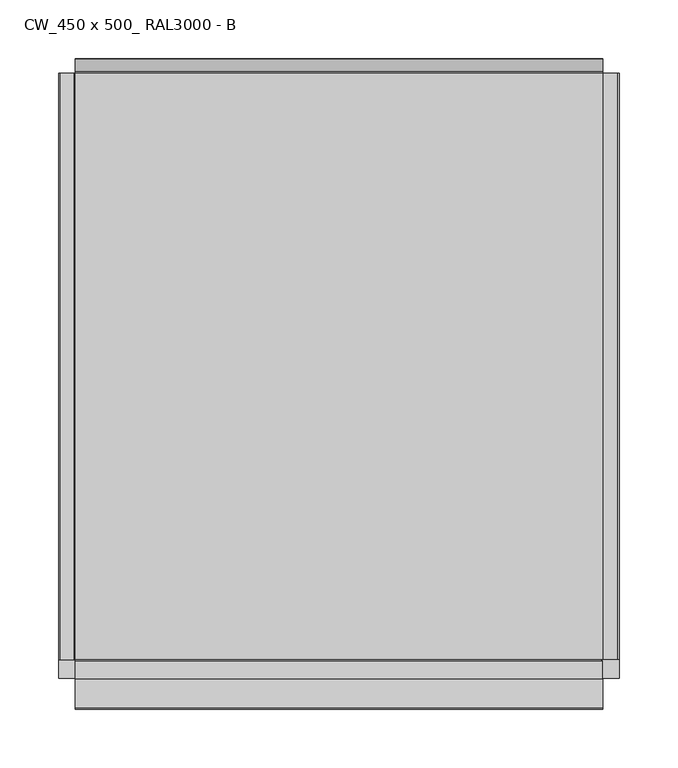
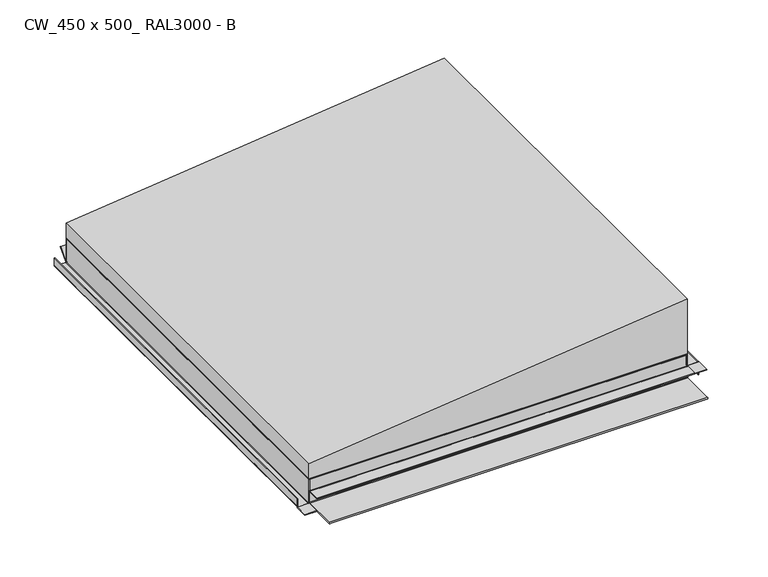
"""IFC4 building model written with IfcOpenShell, lengths in millimetres: proxy geometry, CW_450 x 500_ RAL3000 - B."""

from ifc_helpers import new_model, si_unit, frame, origin, origin_with_axes, place, context, project, spatial, polyline, circle_curve, ellipse_curve, outline, extrude, faceted_brep, source, transform, mapped, element, save
from ifc_brep_helpers import plane_surface, cylinder_surface, revolved_surface, advanced_brep


def cw_450_x_500_ral3000_b_e66fc8bf(model_context):
    return source(origin(), model_context, "Body", "SolidModel", [
        advanced_brep(
        [(-239.0, -250.0, 1.3), (-237.7, -250.0, 0.0), (-225.5, -250.0, 0.0), (-224.2, -250.0, 1.3), (-224.2, -250.0, 30.0), (-225.0, -250.0, 30.0), (-225.0, -250.0, 1.3), (-225.5, -250.0, 0.8), (-237.7, -250.0, 0.8), (-238.2, -250.0, 1.3), (-238.2, -250.0, 11.0), (-239.0, -250.0, 11.0), (-225.5, 250.0, 0.0), (-237.7, 250.0, 0.0), (-239.0, 250.0, 1.3), (-239.0, 250.0, 11.0), (-238.2, 250.0, 11.0), (-238.2, 250.0, 1.3), (-237.7, 250.0, 0.8), (-225.5, 250.0, 0.8), (-225.0, 250.0, 1.3), (-225.0, 250.0, 0.1), (-224.2, 249.2, 1.3), (-224.2, 249.2, 30.0), (-225.0, 249.2, 30.0), (-225.0, 249.2, 1.3)],
        [
            (0, 1, circle_curve(frame((-237.7, -250.0, 1.3), z_axis=(0.0, -1.0, 0.0), x_axis=(1.0, 0.0, 0.0)), 1.3)),
            (1, 2),
            (2, 3, circle_curve(frame((-225.5, -250.0, 1.3), z_axis=(0.0, -1.0, 0.0), x_axis=(1.0, 0.0, 0.0)), 1.3)),
            (3, 4),
            (4, 5),
            (5, 6),
            (6, 7, circle_curve(frame((-225.5, -250.0, 1.3), z_axis=(0.0, 1.0, 0.0), x_axis=(1.0, 0.0, 0.0)), 0.5)),
            (7, 8),
            (8, 9, circle_curve(frame((-237.7, -250.0, 1.3), z_axis=(0.0, 1.0, 0.0), x_axis=(1.0, 0.0, 0.0)), 0.5)),
            (9, 10),
            (10, 11),
            (11, 0),
            (12, 13),
            (13, 14, circle_curve(frame((-237.7, 250.0, 1.3), z_axis=(0.0, 1.0, 0.0), x_axis=(1.0, 0.0, 0.0)), 1.3)),
            (14, 15),
            (15, 16),
            (16, 17),
            (17, 18, circle_curve(frame((-237.7, 250.0, 1.3), z_axis=(0.0, -1.0, 0.0), x_axis=(1.0, 0.0, 0.0)), 0.5)),
            (18, 19),
            (19, 20, circle_curve(frame((-225.5, 250.0, 1.3), z_axis=(0.0, -1.0, 0.0), x_axis=(1.0, 0.0, 0.0)), 0.5)),
            (20, 21),
            (21, 12, circle_curve(frame((-225.5, 250.0, 1.3), z_axis=(0.0, 1.0, 0.0), x_axis=(1.0, 0.0, 0.0)), 1.3)),
            (1, 13),
            (12, 2),
            (21, 22, ellipse_curve(frame((-225.5, 250.5, 1.3), z_axis=(-0.7071067811865505, -0.7071067811865446, 0.0), x_axis=(0.7071067811865446, -0.7071067811865505, 0.0)), 1.8384776, 1.3)),
            (22, 3),
            (22, 23),
            (23, 4),
            (5, 24),
            (24, 25),
            (25, 6),
            (25, 20),
            (19, 7),
            (18, 8),
            (17, 9),
            (16, 10),
            (15, 11),
            (14, 0),
            (23, 24),
            (25, 21, circle_curve(frame((-225.0, 250.5, 1.3), z_axis=(1.0, 0.0, 0.0), x_axis=(0.0, 1.0, 0.0)), 1.3)),
            (25, 22),
        ],
        [
            plane_surface(frame((-236.4, -250.0, 1.3), z_axis=(0.0, -1.0, 0.0), x_axis=(0.0, 0.0, -1.0))),
            plane_surface(frame((-236.4, 250.0, 1.3), z_axis=(0.0, 1.0, 0.0), x_axis=(0.0, 0.0, 1.0))),
            plane_surface(frame((-225.5, -250.0, 0.0), z_axis=(0.0, 0.0, -1.0), x_axis=(0.0, 1.0, 0.0))),
            cylinder_surface(frame((-225.5, 250.0, 1.3), z_axis=(0.0, -1.0, 0.0), x_axis=(1.0, 0.0, 0.0)), 1.3),
            plane_surface(frame((-224.2, -250.0, 30.0), z_axis=(1.0, 0.0, 0.0), x_axis=(0.0, 1.0, 0.0))),
            plane_surface(frame((-225.0, -250.0, 1.3), z_axis=(-1.0, 0.0, 0.0), x_axis=(0.0, 1.0, 0.0))),
            revolved_surface(polyline([(-225.0, 250.0, 1.3), (-225.0, -250.0, 1.3)]), (-225.5, 250.0, 1.3), (0.0, 1.0, 0.0)),
            plane_surface(frame((-237.7, -250.0, 0.8), z_axis=(0.0, 0.0, 1.0), x_axis=(0.0, 1.0, 0.0))),
            revolved_surface(polyline([(-237.2, 250.0, 1.3), (-237.2, -250.0, 1.3)]), (-237.7, 250.0, 1.3), (0.0, 1.0, 0.0)),
            plane_surface(frame((-238.2, -250.0, 11.0), z_axis=(1.0, 0.0, 0.0), x_axis=(0.0, 1.0, 0.0))),
            plane_surface(frame((-239.0, -250.0, 11.0), z_axis=(0.0, 0.0, 1.0), x_axis=(0.0, 1.0, 0.0))),
            plane_surface(frame((-239.0, -250.0, 1.3), z_axis=(-1.0, 0.0, 0.0), x_axis=(0.0, 1.0, 0.0))),
            cylinder_surface(frame((-237.7, 250.0, 1.3), z_axis=(0.0, -1.0, 0.0), x_axis=(1.0, 0.0, 0.0)), 1.3),
            plane_surface(frame((-225.0, -250.0, 30.0), z_axis=(0.0, 0.0, 1.0), x_axis=(0.0, 1.0, 0.0))),
            plane_surface(frame((-225.0, 251.0, 1.3), z_axis=(1.0, 0.0, 0.0), x_axis=(0.0, 0.0, 1.0))),
            revolved_surface(polyline([(-226.79999997801957, 251.8, 1.3), (-224.2, 251.8, 1.3)]), (225.0, 250.5, 1.3), (-1.0, 0.0, 0.0)),
            plane_surface(frame((-225.0, 249.2, 1.3), z_axis=(0.0, 1.0, 0.0), x_axis=(1.0, 0.0, 0.0))),
        ],
        [
            (0, [[1, 2, 3, 4, 5, 6, 7, 8, 9, 10, 11, 12]]),
            (1, [[13, 14, 15, 16, 17, 18, 19, 20, 21, 22]]),
            (2, [[-2, 23, -13, 24]]),
            (3, [[-3, -24, -22, 25, 26]]),
            (4, [[-4, -26, 27, 28]]),
            (5, [[-6, 29, 30, 31]]),
            (6, [[-7, -31, 32, -20, 33]]),
            (7, [[-8, -33, -19, 34]]),
            (8, [[-9, -34, -18, 35]]),
            (9, [[-10, -35, -17, 36]]),
            (10, [[-11, -36, -16, 37]]),
            (11, [[-12, -37, -15, 38]]),
            (12, [[-1, -38, -14, -23]]),
            (13, [[-5, -28, 39, -29]]),
            (14, [[40, -21, -32]]),
            (15, [[-40, 41, -25]]),
            (16, [[-41, -30, -39, -27]]),
        ],
    ),
        extrude(outline(polyline([(-239.0, -266.0), (-239.0, -250.0), (-224.2, -250.0), (-224.2, -266.0), (-239.0, -266.0)])), origin_with_axes(), (0.0, 0.0, 1.0), 0.8),
        advanced_brep(
        [(225.5, -250.0, 15.56875), (237.7, -250.0, 15.56875), (238.2, -250.0, 15.06875), (238.2, -250.0, 0.0), (239.0, -250.0, 0.0), (239.0, -250.0, 15.06875), (237.7, -250.0, 16.36875), (225.5, -250.0, 16.36875), (225.0, -250.0, 16.86875), (225.0, -250.0, 15.66875), (225.0, 250.0, 16.86875), (225.5, 250.0, 16.36875), (237.7, 250.0, 16.36875), (239.0, 250.0, 15.06875), (239.0, 250.0, 0.0), (238.2, 250.0, 0.0), (238.2, 250.0, 15.06875), (237.7, 250.0, 15.56875), (225.5, 250.0, 15.56875), (225.0, 250.0, 15.66875), (224.2, 249.2, 30.0), (224.2, 249.2, 16.86875), (224.2, -249.2, 16.86875), (224.2, -249.2, 30.0), (225.0, -249.2, 15.66875), (225.0, 249.2, 15.66875), (225.0, 249.2, 16.86875), (225.0, -249.2, 16.86875), (225.0, 249.2, 30.0), (225.0, -249.2, 30.0)],
        [
            (0, 1),
            (1, 2, circle_curve(frame((237.7, -250.0, 15.06875), z_axis=(0.0, 1.0, 0.0), x_axis=(-1.0, 0.0, 0.0)), 0.5)),
            (2, 3),
            (3, 4),
            (4, 5),
            (5, 6, circle_curve(frame((237.7, -250.0, 15.06875), z_axis=(0.0, -1.0, 0.0), x_axis=(-1.0, 0.0, 0.0)), 1.3)),
            (6, 7),
            (7, 8, circle_curve(frame((225.5, -250.0, 16.86875), z_axis=(0.0, 1.0, 0.0), x_axis=(-1.0, 0.0, 0.0)), 0.5)),
            (8, 9),
            (9, 0, circle_curve(frame((225.5, -250.0, 16.86875), z_axis=(0.0, -1.0, 0.0), x_axis=(-1.0, 0.0, 0.0)), 1.3)),
            (10, 11, circle_curve(frame((225.5, 250.0, 16.86875), z_axis=(0.0, -1.0, 0.0), x_axis=(-1.0, 0.0, 0.0)), 0.5)),
            (11, 12),
            (12, 13, circle_curve(frame((237.7, 250.0, 15.06875), z_axis=(0.0, 1.0, 0.0), x_axis=(-1.0, 0.0, 0.0)), 1.3)),
            (13, 14),
            (14, 15),
            (15, 16),
            (16, 17, circle_curve(frame((237.7, 250.0, 15.06875), z_axis=(0.0, -1.0, 0.0), x_axis=(-1.0, 0.0, 0.0)), 0.5)),
            (17, 18),
            (18, 19, circle_curve(frame((225.5, 250.0, 16.86875), z_axis=(0.0, 1.0, 0.0), x_axis=(-1.0, 0.0, 0.0)), 1.3)),
            (19, 10),
            (20, 21),
            (21, 22),
            (22, 23),
            (23, 20),
            (18, 0),
            (9, 24),
            (24, 22, circle_curve(frame((225.5, -249.2, 16.86875), z_axis=(0.0, 1.0, 0.0), x_axis=(-1.0, 0.0, 0.0)), 1.3)),
            (21, 25, circle_curve(frame((225.5, 249.2, 16.86875), z_axis=(0.0, -1.0, 0.0), x_axis=(-1.0, 0.0, 0.0)), 1.3)),
            (25, 19),
            (17, 1),
            (16, 2),
            (15, 3),
            (14, 4),
            (13, 5),
            (12, 6),
            (11, 7),
            (10, 26),
            (26, 27),
            (27, 8),
            (26, 28),
            (28, 29),
            (29, 27),
            (28, 20),
            (23, 29),
            (25, 26),
            (27, 24),
        ],
        [
            plane_surface(frame((224.2, -250.0, 16.86875), z_axis=(0.0, -1.0, 0.0), x_axis=(0.0, 0.0, 1.0))),
            plane_surface(frame((224.2, 250.0, 16.86875), z_axis=(0.0, 1.0, 0.0), x_axis=(0.0, 0.0, -1.0))),
            plane_surface(frame((224.2, -250.0, 16.86875), z_axis=(-1.0, 0.0, 0.0), x_axis=(0.0, 1.0, 0.0))),
            cylinder_surface(frame((225.5, 250.0, 16.86875), z_axis=(0.0, -1.0, 0.0), x_axis=(-1.0, 0.0, 0.0)), 1.3),
            plane_surface(frame((237.7, -250.0, 15.56875), z_axis=(0.0, 0.0, -1.0), x_axis=(0.0, 1.0, 0.0))),
            revolved_surface(polyline([(237.2, 250.0, 15.06875), (237.2, -250.0, 15.06875)]), (237.7, 250.0, 15.06875), (0.0, 1.0, 0.0)),
            plane_surface(frame((238.2, -250.0, 0.0), z_axis=(-1.0, 0.0, 0.0), x_axis=(0.0, 1.0, 0.0))),
            plane_surface(frame((239.0, -250.0, 0.0), z_axis=(0.0, 0.0, -1.0), x_axis=(0.0, 1.0, 0.0))),
            plane_surface(frame((239.0, -250.0, 15.06875), z_axis=(1.0, 0.0, 0.0), x_axis=(0.0, 1.0, 0.0))),
            cylinder_surface(frame((237.7, 250.0, 15.06875), z_axis=(0.0, -1.0, 0.0), x_axis=(-1.0, 0.0, 0.0)), 1.3),
            plane_surface(frame((225.5, -250.0, 16.36875), z_axis=(0.0, 0.0, 1.0), x_axis=(0.0, 1.0, 0.0))),
            revolved_surface(polyline([(225.0, 250.0, 16.86875), (225.0, -250.0, 16.86875)]), (225.5, 250.0, 16.86875), (0.0, 1.0, 0.0)),
            plane_surface(frame((225.0, -250.0, 30.0), z_axis=(1.0, 0.0, 0.0), x_axis=(0.0, 1.0, 0.0))),
            plane_surface(frame((224.2, -250.0, 30.0), z_axis=(0.0, 0.0, 1.0), x_axis=(0.0, 1.0, 0.0))),
            plane_surface(frame((225.0, 251.0, 1.3), z_axis=(-1.0, 0.0, 0.0), x_axis=(0.0, 0.0, -1.0))),
            plane_surface(frame((-225.0, 249.2, 1.3), z_axis=(0.0, 1.0, 0.0), x_axis=(1.0, 0.0, 0.0))),
            plane_surface(frame((225.0, -250.5, 0.0), z_axis=(-1.0, 0.0, 0.0), x_axis=(0.0, 1.0, 0.0))),
            plane_surface(frame((-225.0, -249.2, 30.0), z_axis=(0.0, -1.0, 0.0), x_axis=(1.0, 0.0, 0.0))),
        ],
        [
            (0, [[1, 2, 3, 4, 5, 6, 7, 8, 9, 10]]),
            (1, [[11, 12, 13, 14, 15, 16, 17, 18, 19, 20]]),
            (2, [[21, 22, 23, 24]]),
            (3, [[25, -10, 26, 27, -22, 28, 29, -19]]),
            (4, [[-1, -25, -18, 30]]),
            (5, [[-2, -30, -17, 31]]),
            (6, [[-3, -31, -16, 32]]),
            (7, [[-4, -32, -15, 33]]),
            (8, [[-5, -33, -14, 34]]),
            (9, [[-6, -34, -13, 35]]),
            (10, [[-7, -35, -12, 36]]),
            (11, [[-8, -36, -11, 37, 38, 39]]),
            (12, [[40, 41, 42, -38]]),
            (13, [[43, -24, 44, -41]]),
            (14, [[45, -37, -20, -29]]),
            (15, [[-45, -28, -21, -43, -40]]),
            (16, [[46, -26, -9, -39]]),
            (17, [[-46, -42, -44, -23, -27]]),
        ],
    ),
        advanced_brep(
        [(225.0, -251.0793372, 15.56875), (225.0, -251.55, 15.9), (225.0, -266.0, 15.9), (225.0, -266.0, 16.36875), (225.0, -250.6830955, 16.36875), (225.0, -250.2609991, 15.56875), (239.0, -266.0, 15.56875), (239.0, -266.0, 16.36875), (224.2, -266.0, 15.9), (224.2, -266.0, 15.56875), (224.2, -250.0, 15.56875), (224.2, -250.0, 16.36875), (225.0, -250.0, 16.36875), (239.0, -250.0, 16.36875), (239.0, -250.0, 15.56875), (225.0, -250.0, 15.56875), (224.2, -250.6830955, 16.36875), (224.2, -251.0793372, 15.56875), (224.2, -250.2609991, 15.56875), (224.2, -251.55, 15.9)],
        [
            (0, 1, circle_curve(frame((225.0, -251.55, 15.4), z_axis=(1.0, 0.0, 0.0), x_axis=(0.0, 1.0, 0.0)), 0.5)),
            (1, 2),
            (2, 3),
            (3, 4),
            (4, 5, circle_curve(frame((225.0, -251.55, 15.4), z_axis=(-1.0, 0.0, 0.0), x_axis=(0.0, 1.0, 0.0)), 1.3)),
            (5, 0),
            (6, 7),
            (7, 3),
            (2, 8),
            (8, 9),
            (9, 6),
            (10, 11),
            (11, 12),
            (12, 13),
            (13, 14),
            (14, 15),
            (15, 10),
            (7, 13),
            (11, 16),
            (16, 4),
            (9, 17),
            (17, 0),
            (5, 18),
            (18, 10),
            (14, 6),
            (8, 19),
            (19, 17, circle_curve(frame((224.2, -251.55, 15.4), z_axis=(-1.0, 0.0, 0.0), x_axis=(0.0, 1.0, 0.0)), 0.5)),
            (19, 1),
            (16, 18, circle_curve(frame((224.2, -251.55, 15.4), z_axis=(-1.0, 0.0, 0.0), x_axis=(0.0, 1.0, 0.0)), 1.3)),
        ],
        [
            plane_surface(frame((225.0, -250.5, 0.0), z_axis=(-1.0, 0.0, 0.0), x_axis=(0.0, 1.0, 0.0))),
            plane_surface(frame((224.2, -266.0, 15.56875), z_axis=(0.0, -1.0, 0.0), x_axis=(-1.0, 0.0, 0.0))),
            plane_surface(frame((224.2, -250.0, 15.56875), z_axis=(0.0, 1.0, 0.0), x_axis=(1.0, 0.0, 0.0))),
            plane_surface(frame((224.2, -266.0, 16.36875), z_axis=(0.0, 0.0, 1.0), x_axis=(0.0, 1.0, 0.0))),
            plane_surface(frame((239.0, -266.0, 15.56875), z_axis=(0.0, 0.0, -1.0), x_axis=(0.0, 1.0, 0.0))),
            plane_surface(frame((224.2, -266.0, 15.56875), z_axis=(-1.0, 0.0, -1.0019693408305913e-12), x_axis=(0.0, 1.0, 0.0))),
            plane_surface(frame((239.0, -266.0, 16.36875), z_axis=(1.0, 0.0, 0.0), x_axis=(0.0, 1.0, 0.0))),
            cylinder_surface(frame((225.0, -251.55, 15.4), z_axis=(1.0, 0.0, 0.0), x_axis=(0.0, 1.0, 0.0)), 0.5),
            plane_surface(frame((-225.0, -251.55, 15.9), z_axis=(0.0, 0.0, 1.0), x_axis=(1.0, 0.0, 0.0))),
            revolved_surface(polyline([(224.2, -250.25, 15.4), (225.0, -250.25, 15.4)]), (225.0, -251.55, 15.4), (-1.0, 0.0, 0.0)),
        ],
        [
            (0, [[1, 2, 3, 4, 5, 6]]),
            (1, [[7, 8, -3, 9, 10, 11]]),
            (2, [[12, 13, 14, 15, 16, 17]]),
            (3, [[18, -14, -13, 19, 20, -4, -8]]),
            (4, [[-11, 21, 22, -6, 23, 24, -17, -16, 25]]),
            (5, [[-10, 26, 27, -21]]),
            (6, [[-7, -25, -15, -18]]),
            (7, [[-1, -22, -27, 28]]),
            (8, [[-2, -28, -26, -9]]),
            (9, [[-5, -20, 29, -23]]),
            (5, [[-12, -24, -29, -19]]),
        ],
    ),
        advanced_brep(
        [(-225.0, -250.5, 0.0), (-225.0, -291.65, 0.0), (-225.0, -291.65, 1.7), (-225.0, -251.55, 1.7), (-225.0, -251.05, 2.2), (-225.0, -251.05, 15.4), (-225.0, -251.55, 15.9), (-225.0, -266.25, 15.9), (-225.0, -266.25, 16.7), (-225.0, -251.55, 16.7), (-225.0, -250.25, 15.4), (-225.0, -250.25, 2.2), (-225.0, -251.55, 0.9), (-225.0, -291.65, 0.9), (-225.0, -250.5, 0.8), (-225.0, -250.0, 1.3), (-225.0, -250.0, 30.0), (-225.0, -249.2, 30.0), (-225.0, -249.2, 1.3), (225.0, -250.5, 0.0), (225.0, -249.2, 1.3), (225.0, -249.2, 15.66875), (225.0, -249.2, 16.86875), (225.0, -249.2, 30.0), (225.0, -250.0, 30.0), (225.0, -250.0, 16.86875), (225.0, -250.0, 15.66875), (225.0, -250.0, 1.3), (225.0, -250.5, 0.8), (225.0, -291.65, 0.9), (225.0, -251.55, 0.9), (225.0, -250.25, 2.2), (225.0, -250.25, 15.4), (225.0, -250.2613292, 15.5701671), (225.0, -250.682858, 16.3684525), (225.0, -251.55, 16.7), (225.0, -266.25, 16.7), (225.0, -266.25, 15.9), (225.0, -266.0, 15.9), (225.0, -251.55, 15.9), (225.0, -251.0793351, 15.5686233), (225.0, -251.05, 15.4), (225.0, -251.05, 2.2), (225.0, -251.55, 1.7), (225.0, -291.65, 1.7), (225.0, -291.65, 0.0), (224.2, -249.2, 30.0)],
        [
            (0, 1),
            (1, 2, circle_curve(frame((-225.0, -291.65, 0.85), z_axis=(-1.0, 0.0, 0.0), x_axis=(0.0, 1.0, 0.0)), 0.85)),
            (2, 3),
            (3, 4, circle_curve(frame((-225.0, -251.55, 2.2), z_axis=(1.0, 0.0, 0.0), x_axis=(0.0, 1.0, 0.0)), 0.5)),
            (4, 5),
            (5, 6, circle_curve(frame((-225.0, -251.55, 15.4), z_axis=(1.0, 0.0, 0.0), x_axis=(0.0, 1.0, 0.0)), 0.5)),
            (6, 7),
            (7, 8),
            (8, 9),
            (9, 10, circle_curve(frame((-225.0, -251.55, 15.4), z_axis=(-1.0, 0.0, 0.0), x_axis=(0.0, 1.0, 0.0)), 1.3)),
            (10, 11),
            (11, 12, circle_curve(frame((-225.0, -251.55, 2.2), z_axis=(-1.0, 0.0, 0.0), x_axis=(0.0, 1.0, 0.0)), 1.3)),
            (12, 13),
            (13, 14),
            (14, 15, circle_curve(frame((-225.0, -250.5, 1.3), z_axis=(1.0, 0.0, 0.0), x_axis=(0.0, 1.0, 0.0)), 0.5)),
            (15, 16),
            (16, 17),
            (17, 18),
            (18, 0, circle_curve(frame((-225.0, -250.5, 1.3), z_axis=(-1.0, 0.0, 0.0), x_axis=(0.0, 1.0, 0.0)), 1.3)),
            (19, 20, circle_curve(frame((225.0, -250.5, 1.3), z_axis=(1.0, 0.0, 0.0), x_axis=(0.0, 1.0, 0.0)), 1.3)),
            (20, 21),
            (21, 22),
            (22, 23),
            (23, 24),
            (24, 25),
            (25, 26),
            (26, 27),
            (27, 28, circle_curve(frame((225.0, -250.5, 1.3), z_axis=(-1.0, 0.0, 0.0), x_axis=(0.0, 1.0, 0.0)), 0.5)),
            (28, 29),
            (29, 30),
            (30, 31, circle_curve(frame((225.0, -251.55, 2.2), z_axis=(1.0, 0.0, 0.0), x_axis=(0.0, 1.0, 0.0)), 1.3)),
            (31, 32),
            (32, 33, circle_curve(frame((225.0, -251.55, 15.4), z_axis=(1.0, 0.0, 0.0), x_axis=(0.0, 1.0, 0.0)), 1.3)),
            (33, 34, circle_curve(frame((225.0, -251.55, 15.4), z_axis=(1.0, 0.0, 0.0), x_axis=(0.0, 1.0, 0.0)), 1.2998574)),
            (34, 35, circle_curve(frame((225.0, -251.55, 15.4), z_axis=(1.0, 0.0, 0.0), x_axis=(0.0, 1.0, 0.0)), 1.2999367)),
            (35, 36),
            (36, 37),
            (37, 38),
            (38, 39),
            (39, 40, circle_curve(frame((225.0, -251.55, 15.4), z_axis=(-1.0, 0.0, 0.0), x_axis=(0.0, 1.0, 0.0)), 0.5)),
            (40, 41, circle_curve(frame((225.0, -251.55, 15.4), z_axis=(-1.0, 0.0, 0.0), x_axis=(0.0, 1.0, 0.0)), 0.4999593)),
            (41, 42),
            (42, 43, circle_curve(frame((225.0, -251.55, 2.2), z_axis=(-1.0, 0.0, 0.0), x_axis=(0.0, 1.0, 0.0)), 0.5)),
            (43, 44),
            (44, 45, circle_curve(frame((225.0, -291.65, 0.85), z_axis=(1.0, 0.0, 0.0), x_axis=(0.0, 1.0, 0.0)), 0.85)),
            (45, 19),
            (17, 46),
            (46, 23),
            (20, 18),
            (19, 0),
            (45, 1),
            (44, 2),
            (43, 3),
            (42, 4),
            (41, 5),
            (39, 6),
            (37, 7),
            (36, 8),
            (35, 9),
            (32, 10),
            (31, 11),
            (30, 12),
            (29, 13),
            (28, 14),
            (27, 15),
            (24, 16),
        ],
        [
            plane_surface(frame((-225.0, -250.5, 0.0), z_axis=(-1.0, 0.0, 0.0), x_axis=(0.0, -1.0, 0.0))),
            plane_surface(frame((225.0, -250.5, 0.0), z_axis=(1.0, 0.0, 0.0), x_axis=(0.0, 1.0, 0.0))),
            plane_surface(frame((-225.0, -249.2, 30.0), z_axis=(0.0, 1.0, 0.0), x_axis=(1.0, 0.0, 0.0))),
            cylinder_surface(frame((225.0, -250.5, 1.3), z_axis=(-1.0, 0.0, 0.0), x_axis=(0.0, 1.0, 0.0)), 1.3),
            plane_surface(frame((-225.0, -250.5, 0.0), z_axis=(0.0, 0.0, -1.0), x_axis=(1.0, 0.0, 0.0))),
            cylinder_surface(frame((225.0, -291.65, 0.85), z_axis=(-1.0, 0.0, 0.0), x_axis=(0.0, 1.0, 0.0)), 0.85),
            plane_surface(frame((-225.0, -291.65, 1.7), z_axis=(0.0, 0.0, 1.0), x_axis=(1.0, 0.0, 0.0))),
            revolved_surface(polyline([(225.0, -251.05, 2.2), (-225.0, -251.05, 2.2)]), (225.0, -251.55, 2.2), (1.0, 0.0, 0.0)),
            plane_surface(frame((-225.0, -251.05, 2.2), z_axis=(0.0, -1.0, 0.0), x_axis=(1.0, 0.0, 0.0))),
            revolved_surface(polyline([(225.0, -251.05, 15.4), (-225.0, -251.05, 15.4)]), (225.0, -251.55, 15.4), (1.0, 0.0, 0.0)),
            plane_surface(frame((-225.0, -251.55, 15.9), z_axis=(0.0, 0.0, -1.0), x_axis=(1.0, 0.0, 0.0))),
            plane_surface(frame((-225.0, -266.25, 15.9), z_axis=(0.0, -1.0, 0.0), x_axis=(1.0, 0.0, 0.0))),
            plane_surface(frame((-225.0, -266.25, 16.7), z_axis=(0.0, 0.0, 1.0), x_axis=(1.0, 0.0, 0.0))),
            cylinder_surface(frame((225.0, -251.55, 15.4), z_axis=(-1.0, 0.0, 0.0), x_axis=(0.0, 1.0, 0.0)), 1.3),
            plane_surface(frame((-225.0, -250.25, 15.4), z_axis=(0.0, 1.0, 0.0), x_axis=(1.0, 0.0, 0.0))),
            cylinder_surface(frame((225.0, -251.55, 2.2), z_axis=(-1.0, 0.0, 0.0), x_axis=(0.0, 1.0, 0.0)), 1.3),
            plane_surface(frame((-225.0, -251.55, 0.9), z_axis=(0.0, 0.0, -1.0), x_axis=(1.0, 0.0, 0.0))),
            plane_surface(frame((-225.0, -291.65, 0.9), z_axis=(0.0, 0.0024301264818050315, 0.9999970472382819), x_axis=(1.0, 0.0, 0.0))),
            revolved_surface(polyline([(225.0, -250.0, 1.3), (-225.0, -250.0, 1.3)]), (225.0, -250.5, 1.3), (1.0, 0.0, 0.0)),
            plane_surface(frame((-225.0, -250.0, 1.3), z_axis=(0.0, -1.0, 0.0), x_axis=(1.0, 0.0, 0.0))),
            plane_surface(frame((-225.0, -250.0, 30.0), z_axis=(0.0, 0.0, 1.0), x_axis=(1.0, 0.0, 0.0))),
        ],
        [
            (0, [[1, 2, 3, 4, 5, 6, 7, 8, 9, 10, 11, 12, 13, 14, 15, 16, 17, 18, 19]]),
            (1, [[20, 21, 22, 23, 24, 25, 26, 27, 28, 29, 30, 31, 32, 33, 34, 35, 36, 37, 38, 39, 40, 41, 42, 43, 44, 45, 46]]),
            (2, [[-18, 47, 48, -23, -22, -21, 49]]),
            (3, [[-19, -49, -20, 50]]),
            (4, [[-1, -50, -46, 51]]),
            (5, [[-2, -51, -45, 52]]),
            (6, [[-3, -52, -44, 53]]),
            (7, [[-4, -53, -43, 54]]),
            (8, [[-5, -54, -42, 55]]),
            (9, [[-6, -55, -41, -40, 56]]),
            (10, [[-7, -56, -39, -38, 57]]),
            (11, [[-8, -57, -37, 58]]),
            (12, [[-9, -58, -36, 59]]),
            (13, [[-10, -59, -35, -34, -33, 60]]),
            (14, [[-11, -60, -32, 61]]),
            (15, [[-12, -61, -31, 62]]),
            (16, [[-13, -62, -30, 63]]),
            (17, [[-14, -63, -29, 64]]),
            (18, [[-15, -64, -28, 65]]),
            (19, [[-16, -65, -27, -26, -25, 66]]),
            (20, [[-17, -66, -24, -48, -47]]),
        ],
    ),
        advanced_brep(
        [(-225.0, 250.0, 1.3), (-225.0, 250.8830222, 0.9786062), (-225.0, 261.6344557, 13.7916657), (-225.0, 262.2472913, 13.2774356), (-225.0, 251.4958578, 0.4643761), (-225.0, 250.0002938, 0.0999209), (-225.0, 249.2, 1.3), (-225.0, 249.2, 30.0), (-225.0, 250.0, 30.0), (225.0, 250.0, 1.3), (225.0, 250.0, 15.66875), (225.0, 250.0, 16.86875), (225.0, 250.0, 30.0), (225.0, 249.2, 30.0), (225.0, 249.2, 16.86875), (225.0, 249.2, 15.66875), (225.0, 249.2, 1.3), (225.0, 251.4958578, 0.4643761), (225.0, 262.2472913, 13.2774356), (225.0, 261.6344557, 13.7916657), (225.0, 250.8830222, 0.9786062), (224.2, 249.2, 30.0), (-224.2, 249.2, 30.0)],
        [
            (0, 1, circle_curve(frame((-225.0, 250.5, 1.3), z_axis=(1.0, 0.0, 0.0), x_axis=(0.0, 1.0, 0.0)), 0.5)),
            (1, 2),
            (2, 3),
            (3, 4),
            (4, 5, circle_curve(frame((-225.0, 250.5, 1.3), z_axis=(-1.0, 0.0, 0.0), x_axis=(0.0, 1.0, 0.0)), 1.3)),
            (5, 6, circle_curve(frame((-225.0, 250.5, 1.3), z_axis=(-1.0, 0.0, 0.0), x_axis=(0.0, 1.0, 0.0)), 1.2999601)),
            (6, 7),
            (7, 8),
            (8, 0),
            (9, 10),
            (10, 11),
            (11, 12),
            (12, 13),
            (13, 14),
            (14, 15),
            (15, 16),
            (16, 17, circle_curve(frame((225.0, 250.5, 1.3), z_axis=(1.0, 0.0, 0.0), x_axis=(0.0, 1.0, 0.0)), 1.3)),
            (17, 18),
            (18, 19),
            (19, 20),
            (20, 9, circle_curve(frame((225.0, 250.5, 1.3), z_axis=(-1.0, 0.0, 0.0), x_axis=(0.0, 1.0, 0.0)), 0.5)),
            (8, 12),
            (9, 0),
            (20, 1),
            (19, 2),
            (18, 3),
            (17, 4),
            (16, 6),
            (13, 21),
            (21, 22),
            (22, 7),
        ],
        [
            plane_surface(frame((-225.0, 251.0, 1.3), z_axis=(-1.0, 0.0, 0.0), x_axis=(0.0, 0.0, 1.0))),
            plane_surface(frame((225.0, 251.0, 1.3), z_axis=(1.0, 0.0, 0.0), x_axis=(0.0, 0.0, -1.0))),
            plane_surface(frame((-225.0, 250.0, 30.0), z_axis=(0.0, 1.0, 0.0), x_axis=(1.0, 0.0, 0.0))),
            revolved_surface(polyline([(225.0, 251.0, 1.3), (-225.0, 251.0, 1.3)]), (225.0, 250.5, 1.3), (1.0, 0.0, 0.0)),
            plane_surface(frame((-225.0, 250.8830222, 0.9786062), z_axis=(0.0, -0.7660444431199621, 0.6427876096853666), x_axis=(1.0, 0.0, 0.0))),
            plane_surface(frame((-225.0, 261.6344557, 13.7916657), z_axis=(0.0, 0.6427876096850358, 0.7660444431202397), x_axis=(1.0, 0.0, 0.0))),
            plane_surface(frame((-225.0, 262.2472913, 13.2774356), z_axis=(0.0, 0.7660444431199782, -0.6427876096853474), x_axis=(1.0, 0.0, 0.0))),
            cylinder_surface(frame((225.0, 250.5, 1.3), z_axis=(-1.0, 0.0, 0.0), x_axis=(0.0, 1.0, 0.0)), 1.3),
            plane_surface(frame((-225.0, 249.2, 1.3), z_axis=(0.0, -1.0, 0.0), x_axis=(1.0, 0.0, 0.0))),
            plane_surface(frame((-225.0, 249.2, 30.0), z_axis=(0.0, 0.0, 1.0), x_axis=(1.0, 0.0, 0.0))),
        ],
        [
            (0, [[1, 2, 3, 4, 5, 6, 7, 8, 9]]),
            (1, [[10, 11, 12, 13, 14, 15, 16, 17, 18, 19, 20, 21]]),
            (2, [[-9, 22, -12, -11, -10, 23]]),
            (3, [[-1, -23, -21, 24]]),
            (4, [[-2, -24, -20, 25]]),
            (5, [[-3, -25, -19, 26]]),
            (6, [[-4, -26, -18, 27]]),
            (7, [[-6, -5, -27, -17, 28]]),
            (8, [[-7, -28, -16, -15, -14, 29, 30, 31]]),
            (9, [[-8, -31, -30, -29, -13, -22]]),
        ],
    ),
        faceted_brep([(225.0, -250.0, 31.0), (225.0, 250.0, 31.0), (-225.0, 250.0, 31.0), (-225.0, -250.0, 31.0), (225.0, -250.0, 30.0), (-224.2, -250.0, 30.0), (-225.0, -250.0, 30.0), (-225.0, -249.2, 30.0), (-225.0, 249.2, 30.0), (-225.0, 250.0, 30.0), (225.0, 250.0, 30.0), (225.0, 249.2, 30.0), (225.0, -249.2, 30.0)], [[[0, 1, 2, 3]], [[4, 5, 6, 7, 8, 9, 10, 11, 12]], [[1, 0, 4, 12, 11, 10]], [[2, 1, 10, 9]], [[3, 2, 9, 8, 7, 6]], [[0, 3, 6, 5, 4]]]),
        extrude(outline(polyline([(50.0, -225.0), (30.8, -225.0), (30.8, 225.0), (100.0, 225.0), (50.0, -225.0)])), frame((0.0, -250.0, 0.0), z_axis=(0.0, 1.0, 0.0), x_axis=(0.0, 0.0, 1.0)), (0.0, 0.0, 1.0), 500.0),
    ])


if __name__ == "__main__":
    model = new_model("IFC4")
    model_context = context("Model", 3, world=origin())
    ifc_project = project(units=[si_unit("LENGTHUNIT", "METRE", prefix="MILLI")], contexts=[model_context])
    site = spatial("IfcSite", under=ifc_project)
    building = spatial("IfcBuilding", under=site)
    placement = place(None, origin())
    cw_450_x_500_ral3000_b_shape = cw_450_x_500_ral3000_b_e66fc8bf(model_context)
    element("IfcBuildingElementProxy", 1, Name="CW_450 x 500_ RAL3000 - B", ObjectType="CW_450 x 500_ RAL3000 - B", at=placement, inside=building, context=model_context, shape_type="MappedRepresentation", body=[
        mapped(cw_450_x_500_ral3000_b_shape, transform((0.0, 0.0, 0.0), x_axis=(1.0, 0.0, 0.0), y_axis=(0.0, 1.0, 0.0), z_axis=(0.0, 0.0, 1.0))),
    ])
    save(model, "model.ifc")
